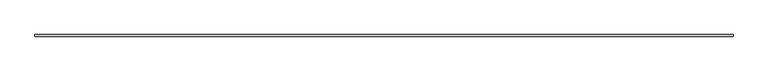
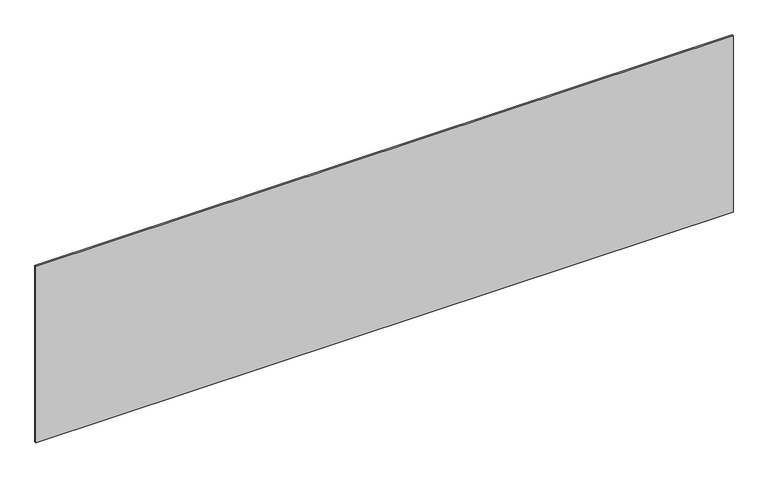
"""IFC4 building model written with IfcOpenShell, lengths in millimetres: plate geometry."""

from ifc_helpers import new_model, si_unit, origin, origin_with_axes, place, context, project, spatial, polyline, outline, extrude, source, transform, mapped, element, save


def plate_01cbba5d(model_context):
    return source(origin(), model_context, "Body", "SweptSolid", [
        extrude(outline(polyline([(2189.1666667, -5.0), (-2189.1666667, -5.0), (-2189.1666667, 5.0), (2189.1666667, 5.0), (2189.1666667, -5.0)])), origin_with_axes(), (0.0, 0.0, 1.0), 1170.9895201),
    ])


if __name__ == "__main__":
    model = new_model("IFC4")
    model_context = context("Model", 3, world=origin())
    ifc_project = project(units=[si_unit("LENGTHUNIT", "METRE", prefix="MILLI")], contexts=[model_context])
    site = spatial("IfcSite", under=ifc_project)
    building = spatial("IfcBuilding", under=site)
    placement = place(None, origin())
    plate_shape = plate_01cbba5d(model_context)
    element("IfcPlate", 1, at=placement, inside=building, context=model_context, shape_type="MappedRepresentation", body=[
        mapped(plate_shape, transform((0.0, 0.0, 0.0), x_axis=(1.0, 0.0, 0.0), y_axis=(0.0, 1.0, 0.0), z_axis=(0.0, 0.0, 1.0))),
    ])
    save(model, "model.ifc")
